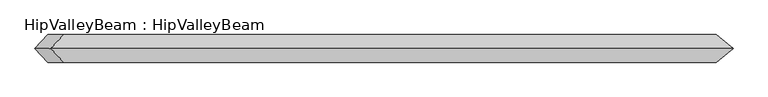
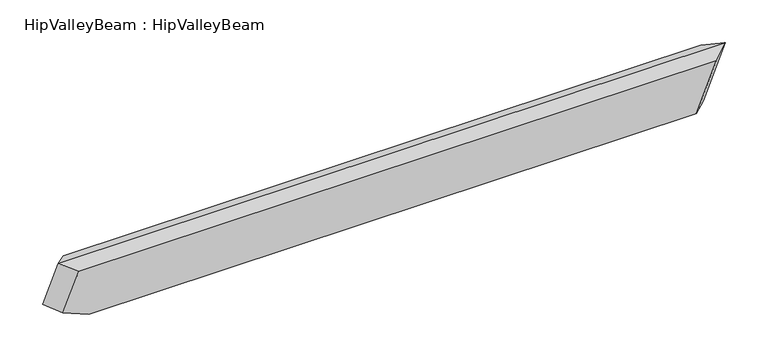
"""IFC4 building model written with IfcOpenShell, lengths in millimetres: beam geometry, HipValleyBeam : HipValleyBeam."""

import ifcopenshell
import ifcopenshell.guid

model = None  # the IFC model being written
_history = None  # IfcOwnerHistory: only IFC2X3 demands one
_inside = {}  # id of a spatial element -> (the spatial element, [elements in it])
_under = {}  # id of a project, library or spatial element -> (it, [spatial elements below it])
_declared = {}  # id of a project -> (the project, [libraries it declares])
_typed = {}  # id of a type object -> (the type object, [elements of that type])
_made_of = {}  # id of a material, layer set ... -> (it, [elements and type objects made of it])


def new_model(schema):
    """Start an empty IFC model of exactly this schema.

    Asked for "IFC4X3", IfcOpenShell would pick the latest addendum, in which some entities
    have other attributes; the version numbers below select the first issue.
    IFC2X3 requires an IfcOwnerHistory on every rooted entity: one is made here for all.
    """
    global model, _history
    if schema == "IFC4X3":
        model = ifcopenshell.file(schema_version=(4, 3, 0, 0))
    else:
        model = ifcopenshell.file(schema=schema)
    _inside.clear()
    _under.clear()
    _declared.clear()
    _typed.clear()
    _made_of.clear()
    _history = None
    if model.schema == "IFC2X3":
        org = make("IfcOrganization", Name="unknown")
        user = make(
            "IfcPersonAndOrganization",
            ThePerson=make("IfcPerson", FamilyName="unknown"),
            TheOrganization=org,
        )
        app = make(
            "IfcApplication",
            ApplicationDeveloper=org,
            Version="unknown",
            ApplicationFullName="unknown",
            ApplicationIdentifier="unknown",
        )
        _history = make(
            "IfcOwnerHistory",
            OwningUser=user,
            OwningApplication=app,
            ChangeAction="ADDED",
            CreationDate=0,
        )
    return model


def make(cls, **values):
    """One entity of the class cls with the attributes given. An attribute that is None is left unset."""
    return model.create_entity(
        cls, **{name: value for name, value in values.items() if value is not None}
    )


def rooted(cls, **values):
    """An entity with a GlobalId (a new one), such as an element, a storey or a relation."""
    return make(cls, GlobalId=ifcopenshell.guid.new(), OwnerHistory=_history, **values)


def si_unit(unit_type, name, prefix=None):
    """IfcSIUnit, for example si_unit("LENGTHUNIT", "METRE", prefix="MILLI")."""
    return make("IfcSIUnit", UnitType=unit_type, Prefix=prefix, Name=name)


def assignment(units):
    """IfcUnitAssignment: the units of a project."""
    return None if units is None else make("IfcUnitAssignment", Units=units)


def point(xyz):
    """IfcCartesianPoint."""
    return None if xyz is None else make("IfcCartesianPoint", Coordinates=xyz)


def direction(xyz):
    """IfcDirection."""
    return None if xyz is None else make("IfcDirection", DirectionRatios=xyz)


def frame(location, z_axis=None, x_axis=None):
    """IfcAxis2Placement3D, a coordinate frame: its origin and axes. An axis left out is left unset."""
    return make(
        "IfcAxis2Placement3D",
        Location=point(location),
        Axis=direction(z_axis),
        RefDirection=direction(x_axis),
    )


def origin():
    """The frame at (0, 0, 0) with its axes left unset."""
    return frame((0.0, 0.0, 0.0))


def place(relative_to, where):
    """IfcLocalPlacement: puts the frame where relative to a parent placement (None: the world)."""
    return make(
        "IfcLocalPlacement", PlacementRelTo=relative_to, RelativePlacement=where
    )


def context(
    kind, dimensions, precision=None, world=None, true_north=None, identifier=None
):
    """IfcGeometricRepresentationContext, for example the 3D "Model" context."""
    return make(
        "IfcGeometricRepresentationContext",
        ContextIdentifier=identifier,
        ContextType=kind,
        CoordinateSpaceDimension=dimensions,
        Precision=precision,
        WorldCoordinateSystem=world,
        TrueNorth=true_north,
    )


def project(units=None, contexts=None):
    """IfcProject with its units and contexts."""
    return rooted(
        "IfcProject",
        Name="project",
        RepresentationContexts=contexts,
        UnitsInContext=assignment(units),
    )


def spatial(cls, under=None, at=None, **own):
    """A site, building, storey or space (cls), placed at a placement, below another one or the project."""
    s = rooted(cls, ObjectPlacement=at, **own)
    if under is not None:
        _under.setdefault(under.id(), (under, []))[1].append(s)
    return s


def faces_of(points, faces, orient=None, outer=None):
    """IfcFace entities. A face is a list of loops; a loop is a list of indices into points, from 0.

    orient and outer hold one flag for each loop. By default every Orientation is true, the
    first loop of a face is its IfcFaceOuterBound and the others are IfcFaceBound.
    """
    made = []
    for i, loops in enumerate(faces):
        bounds = []
        for j, loop in enumerate(loops):
            is_outer = j == 0 if outer is None else outer[i][j]
            bounds.append(
                make(
                    "IfcFaceOuterBound" if is_outer else "IfcFaceBound",
                    Bound=make("IfcPolyLoop", Polygon=[points[k] for k in loop]),
                    Orientation=True if orient is None else orient[i][j],
                )
            )
        made.append(make("IfcFace", Bounds=bounds))
    return made


def faceted_brep(points, faces, orient=None, outer=None, voids=None):
    """IfcFacetedBrep: a solid bounded by flat faces; with voids (closed shells), ...WithVoids."""
    shared = [point(p) for p in points]
    hull = make("IfcClosedShell", CfsFaces=faces_of(shared, faces, orient, outer))
    if voids is None:
        return make("IfcFacetedBrep", Outer=hull)
    return make(
        "IfcFacetedBrepWithVoids",
        Outer=hull,
        Voids=[
            make(cls, CfsFaces=faces_of(shared, fs, o, b)) for cls, fs, o, b in voids
        ],
    )


def shape(context_of_items, identifier, shape_type, items):
    """IfcShapeRepresentation: the items that make up one representation, for example the "Body"."""
    return make(
        "IfcShapeRepresentation",
        ContextOfItems=context_of_items,
        RepresentationIdentifier=identifier,
        RepresentationType=shape_type,
        Items=items,
    )


def source(mapping_origin, context_of_items, identifier, shape_type, items):
    """IfcRepresentationMap: a shape defined once, which mapped items show again and again."""
    return make(
        "IfcRepresentationMap",
        MappingOrigin=mapping_origin,
        MappedRepresentation=shape(context_of_items, identifier, shape_type, items),
    )


def transform(
    local_origin,
    x_axis=None,
    y_axis=None,
    z_axis=None,
    scale=None,
    scale2=None,
    scale3=None,
    uniform=True,
):
    """IfcCartesianTransformationOperator3D, or its non-uniform kind. x_axis, y_axis, z_axis: its Axis1, 2, 3."""
    if uniform:
        return make(
            "IfcCartesianTransformationOperator3D",
            Axis1=direction(x_axis),
            Axis2=direction(y_axis),
            LocalOrigin=point(local_origin),
            Scale=scale,
            Axis3=direction(z_axis),
        )
    return make(
        "IfcCartesianTransformationOperator3DnonUniform",
        Axis1=direction(x_axis),
        Axis2=direction(y_axis),
        LocalOrigin=point(local_origin),
        Scale=scale,
        Axis3=direction(z_axis),
        Scale2=scale2,
        Scale3=scale3,
    )


def mapped(mapping_source, mapping_target):
    """IfcMappedItem: shows the shape of a source again, moved by a transform."""
    return make(
        "IfcMappedItem", MappingSource=mapping_source, MappingTarget=mapping_target
    )


def made_of(thing, what):
    """Note that an element or type object is made of a material, layer set ...; save() writes the relation."""
    if what is not None:
        _made_of.setdefault(what.id(), (what, []))[1].append(thing)
    return thing


def element(
    cls,
    number,
    at=None,
    inside=None,
    cuts=None,
    type_object=None,
    material=None,
    context=None,
    identifier="Body",
    shape_type=None,
    held_by="IfcProductDefinitionShape",
    body=None,
    shapes=None,
    **own,
):
    """One element of the class cls, such as IfcWall. Its Tag is "e" and its number.

    at: its placement. inside: the storey or other place that contains it. cuts: it is an
    opening in that element (IfcRelVoidsElement). A single representation is given by context,
    identifier, shape_type and body (its items); several are given by shapes. held_by: the class
    of the entity that holds the representations. save() writes the other relations.
    """
    e = rooted(cls, Tag="e%d" % number, ObjectPlacement=at, **own)
    if body is not None:
        shapes = [shape(context, identifier, shape_type, body)]
    if shapes is not None:
        e.Representation = make(held_by, Representations=shapes)
    if inside is not None:
        _inside.setdefault(inside.id(), (inside, []))[1].append(e)
    if cuts is not None:
        rooted(
            "IfcRelVoidsElement", RelatingBuildingElement=cuts, RelatedOpeningElement=e
        )
    if type_object is not None:
        _typed.setdefault(type_object.id(), (type_object, []))[1].append(e)
    return made_of(e, material)


def aggregate(whole, parts):
    """IfcRelAggregates: a whole, such as a stair, and the parts it consists of."""
    return rooted("IfcRelAggregates", RelatingObject=whole, RelatedObjects=parts)


def save(model, path):
    """Write the relations noted so far, then the file.

    IfcRelAggregates (storeys below a building ...), IfcRelContainedInSpatialStructure (elements
    in a storey), IfcRelDefinesByType, IfcRelAssociatesMaterial and IfcRelDeclares: one each for
    every whole, place, type object, material and project.
    """
    for whole, parts in _under.values():
        aggregate(whole, parts)
    for where, things in _inside.values():
        rooted(
            "IfcRelContainedInSpatialStructure",
            RelatedElements=things,
            RelatingStructure=where,
        )
    for kind, things in _typed.values():
        rooted("IfcRelDefinesByType", RelatedObjects=things, RelatingType=kind)
    for what, things in _made_of.values():
        rooted("IfcRelAssociatesMaterial", RelatedObjects=things, RelatingMaterial=what)
    for by, libraries in _declared.values():
        rooted("IfcRelDeclares", RelatingContext=by, RelatedDefinitions=libraries)
    model.write(path)


def hipvalleybeam_hipvalleybeam_b2ca49e5(model_context):
    return source(origin(), model_context, "Body", "Brep", [
        faceted_brep([(879.5701336, -40.0, -160.0), (-921.126959, -40.0, -160.0), (-921.126959, 40.0, -160.0), (879.5701336, 40.0, -160.0), (922.7750716, 0.0, -160.0), (938.7177261, -40.0, -15.1185789), (-951.0619941, -40.0, -15.1185789), (-997.4834969, -40.0, -128.8275739), (-997.4834969, 40.0, -128.8275739), (-951.0619941, 40.0, -15.1185789), (938.7177261, 40.0, -15.1185789), (988.0947981, 0.0, 0.0), (-988.0947981, 0.0, 0.0), (-1034.5163009, 0.0, -113.708995)], [[[0, 1, 2, 3, 4]], [[5, 6, 7, 1, 0]], [[3, 2, 8, 9, 10]], [[3, 10, 11, 4]], [[4, 11, 5, 0]], [[12, 13, 7, 6]], [[9, 8, 13, 12]], [[12, 6, 5, 11]], [[1, 7, 13, 8, 2]], [[11, 10, 9, 12]]]),
    ])


if __name__ == "__main__":
    model = new_model("IFC4")
    model_context = context("Model", 3, world=origin())
    ifc_project = project(units=[si_unit("LENGTHUNIT", "METRE", prefix="MILLI")], contexts=[model_context])
    site = spatial("IfcSite", under=ifc_project)
    building = spatial("IfcBuilding", under=site)
    placement = place(None, origin())
    hipvalleybeam_hipvalleybeam_shape = hipvalleybeam_hipvalleybeam_b2ca49e5(model_context)
    element("IfcBeam", 1, ObjectType="HipValleyBeam : HipValleyBeam", at=placement, inside=building, context=model_context, shape_type="MappedRepresentation", body=[
        mapped(hipvalleybeam_hipvalleybeam_shape, transform((0.0, 0.0, 0.0), x_axis=(1.0, 0.0, 0.0), y_axis=(0.0, 1.0, 0.0), z_axis=(0.0, 0.0, 1.0))),
    ])
    save(model, "model.ifc")
